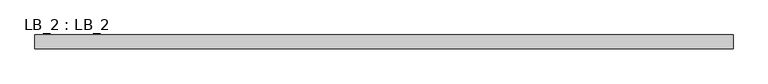
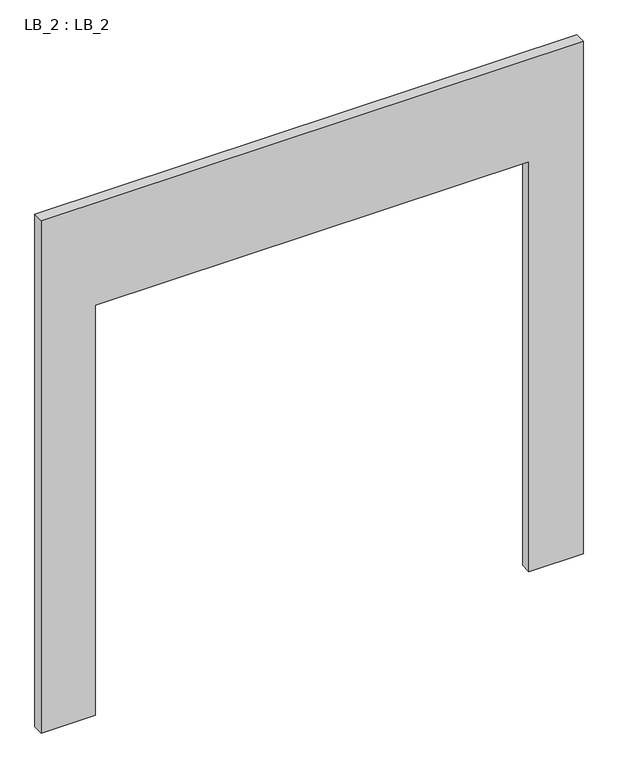
"""IFC4 building model written with IfcOpenShell, lengths in millimetres: proxy geometry, LB_2 : LB_2."""

from ifc_helpers import new_model, si_unit, frame, origin, place, context, project, spatial, polyline, outline, extrude, source, transform, mapped, element, save


def lb_2_lb_2_b5611919(model_context):
    return source(origin(), model_context, "Body", "SweptSolid", [
        extrude(outline(polyline([(2000.0, -1000.0), (2000.0, 1000.0), (0.0, 1000.0), (0.0, 1250.0), (2500.0, 1250.0), (2500.0, -1250.0), (0.0, -1250.0), (0.0, -1000.0), (2000.0, -1000.0)])), frame((0.0, -50.0, 0.0), z_axis=(0.0, 1.0, 0.0), x_axis=(0.0, 0.0, 1.0)), (0.0, 0.0, 1.0), 50.0),
    ])


if __name__ == "__main__":
    model = new_model("IFC4")
    model_context = context("Model", 3, world=origin())
    ifc_project = project(units=[si_unit("LENGTHUNIT", "METRE", prefix="MILLI")], contexts=[model_context])
    site = spatial("IfcSite", under=ifc_project)
    building = spatial("IfcBuilding", under=site)
    placement = place(None, origin())
    lb_2_lb_2_shape = lb_2_lb_2_b5611919(model_context)
    element("IfcBuildingElementProxy", 1, Name="LB_2 : LB_2", ObjectType="LB_2 : LB_2", at=placement, inside=building, context=model_context, shape_type="MappedRepresentation", body=[
        mapped(lb_2_lb_2_shape, transform((0.0, 0.0, 0.0), x_axis=(1.0, 0.0, 0.0), y_axis=(0.0, 1.0, 0.0), z_axis=(0.0, 0.0, 1.0))),
    ])
    save(model, "model.ifc")
